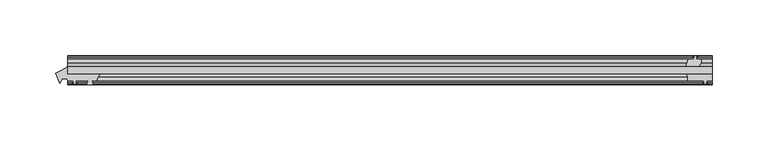
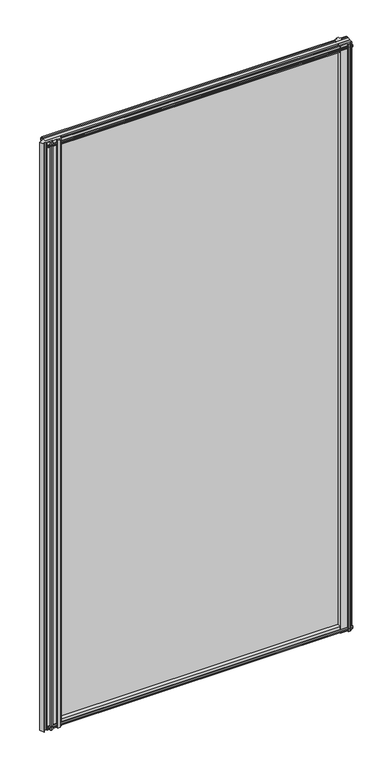
"""IFC4 building model written with IfcOpenShell, lengths in millimetres: plate geometry."""

from ifc_helpers import new_model, si_unit, point, frame, frame_2d, origin, place, context, project, spatial, polyline, circle_curve, trimmed, segment, composite_curve, outline, extrude, source, transform, mapped, element, save


def plate_3df63d87(model_context):
    return source(origin(), model_context, "Body", "SweptSolid", [
        extrude(outline(polyline([(-267.890625, -19.5460937), (311.15, -19.5460937), (311.15, -25.8960937), (-267.890625, -25.8960937), (-267.890625, -19.5460937)])), frame((0.0, 0.0, -12.7), z_axis=(0.0, 0.0, 1.0), x_axis=(1.0, 0.0, 0.0)), (0.0, 0.0, 1.0), 1181.1),
        extrude(outline(composite_curve([segment(trimmed(circle_curve(frame_2d((-230.433521, -34.0324587)), 11.1804786), [point((-238.1018106, -25.8960938))], [point((-241.4703684, -32.2460938))], True, "CARTESIAN"), True, "CONTINUOUS"), segment(polyline([(-241.4703684, -32.2460938), (-245.7121684, -32.2460938)]), True, "CONTINUOUS"), segment(trimmed(circle_curve(frame_2d((-245.7121684, -32.7032938)), 0.4572), [point((-245.7121684, -32.2460938))], [point((-246.0509863, -33.0102698))], True, "CARTESIAN"), True, "CONTINUOUS"), segment(trimmed(circle_curve(frame_2d((-247.8203684, -34.613367)), 2.3876), [point((-246.0509863, -33.0102698))], [point((-245.7497254, -35.8020938))], False, "CARTESIAN"), True, "CONTINUOUS"), segment(polyline([(-245.7497254, -35.8020938), (-249.8910114, -35.8020938)]), True, "CONTINUOUS"), segment(trimmed(circle_curve(frame_2d((-247.8203684, -34.613367)), 2.3876), [point((-249.8910114, -35.8020938))], [point((-249.5897506, -33.0102698))], False, "CARTESIAN"), True, "CONTINUOUS"), segment(trimmed(circle_curve(frame_2d((-249.9285684, -32.7032938)), 0.4572), [point((-249.5897506, -33.0102698))], [point((-249.9285684, -32.2460938))], True, "CARTESIAN"), True, "CONTINUOUS"), segment(polyline([(-249.9285684, -32.2460938), (-260.3171684, -32.2460938), (-260.6346684, -34.3506957), (-259.4160626, -34.0241712), (-259.2122684, -34.7847412), (-261.5871684, -35.4210937), (-263.9620684, -34.7847412), (-263.7582743, -34.0241712), (-262.5396684, -34.3506957), (-262.8571684, -32.2460938), (-267.9371684, -32.2460938), (-268.7546701, -30.3775881), (-272.4715456, -30.3775881), (-274.8816069, -34.5272548), (-278.5694923, -25.6278457)]), True, "CONTINUOUS"), segment(trimmed(circle_curve(frame_2d((-297.1204414, 19.1383188)), 48.4576846), [point((-278.5694923, -25.6278457))], [point((-267.9371684, -19.5460938))], True, "CARTESIAN"), True, "CONTINUOUS"), segment(polyline([(-267.9371684, -19.5460938), (-267.9371684, -25.8960938), (-238.1018106, -25.8960938)]), True, "CONTINUOUS")], self_intersect=False)), frame((0.0, 0.0, -12.7), z_axis=(0.0, 0.0, 1.0), x_axis=(1.0, 0.0, 0.0)), (0.0, 0.0, 1.0), 1181.1),
        extrude(outline(composite_curve([segment(polyline([(311.1542854, -32.2460938), (306.0742854, -32.2460938), (305.7567854, -34.3506957), (306.9753913, -34.0241712), (307.1791854, -34.7847412), (304.8042854, -35.4210938), (302.4293854, -34.7847412), (302.6331795, -34.0241712), (303.8517854, -34.3506957), (303.5342854, -32.2460938), (288.925, -32.2460938)]), True, "CONTINUOUS"), segment(trimmed(circle_curve(frame_2d((280.043449, -30.5054843)), 9.0505066), [point((288.925, -32.2460938))], [point((287.8322351, -25.8960937))], True, "CARTESIAN"), True, "CONTINUOUS"), segment(polyline([(287.8322351, -25.8960937), (311.1542854, -25.8960937), (311.1542854, -32.2460938)]), True, "CONTINUOUS")], self_intersect=False)), frame((0.0, 0.0, -12.7), z_axis=(0.0, 0.0, 1.0), x_axis=(1.0, 0.0, 0.0)), (0.0, 0.0, 1.0), 1181.1),
        extrude(outline(polyline([(293.6181709, -10.4746158), (295.7957, -9.7670938), (297.973229, -10.4746158), (297.973229, -11.27583), (296.5577, -10.8158968), (296.9387, -13.1960938), (301.3837, -13.1960938), (301.3837, -16.1424938), (299.1710038, -19.5460937), (287.3404229, -19.5460937), (289.4457, -13.1960938), (294.6527, -13.1960938), (295.0337, -10.8158968), (293.6181709, -11.27583), (293.6181709, -10.4746158)])), frame((0.0, 0.0, -12.7), z_axis=(0.0, 0.0, 1.0), x_axis=(1.0, 0.0, 0.0)), (0.0, 0.0, 1.0), 1181.1),
        extrude(outline(polyline([(-13.1960937, 1168.1587), (-13.1960937, 1163.7137), (-10.8158968, 1163.3327), (-11.27583, 1164.7482291), (-10.4746158, 1164.7482291), (-9.7670937, 1162.5707), (-10.4746158, 1160.393171), (-11.27583, 1160.393171), (-10.8158968, 1161.8087), (-13.1960937, 1161.4277), (-13.1960937, 1156.2207), (-19.5460937, 1154.115423), (-19.5460937, 1165.9460038), (-16.1424937, 1168.1587), (-13.1960937, 1168.1587)])), frame((-267.890625, 0.0, 0.0), z_axis=(1.0, 0.0, 0.0), x_axis=(0.0, 1.0, 0.0)), (0.0, 0.0, 1.0), 579.040625),
        extrude(outline(polyline([(-29.2996937, 1167.638), (-25.8960937, 1165.4253038), (-25.8960937, 1153.594723), (-32.2460937, 1155.7), (-32.2460937, 1160.907), (-34.6262907, 1161.288), (-34.1663575, 1159.872471), (-34.9675717, 1159.872471), (-35.6750937, 1162.05), (-34.9675717, 1164.2275291), (-34.1663575, 1164.2275291), (-34.6262907, 1162.812), (-32.2460937, 1163.193), (-32.2460937, 1167.638), (-29.2996937, 1167.638)])), frame((-267.890625, 0.0, 0.0), z_axis=(1.0, 0.0, 0.0), x_axis=(0.0, 1.0, 0.0)), (0.0, 0.0, 1.0), 579.040625),
        extrude(outline(polyline([(-25.8960937, 2.1052771), (-25.8960937, -9.7253038), (-29.2996937, -11.938), (-32.2460937, -11.938), (-32.2460937, -7.493), (-34.6262907, -7.112), (-34.1663575, -8.5275291), (-34.9675717, -8.5275291), (-35.6750937, -6.35), (-34.9675717, -4.1724709), (-34.1663575, -4.1724709), (-34.6262907, -5.588), (-32.2460937, -5.207), (-32.2460937, 0.0), (-25.8960937, 2.1052771)])), frame((-267.890625, 0.0, 0.0), z_axis=(1.0, 0.0, 0.0), x_axis=(0.0, 1.0, 0.0)), (0.0, 0.0, 1.0), 579.040625),
        extrude(outline(polyline([(-19.5460937, 1.5845771), (-13.1960937, -0.5207), (-13.1960937, -5.7277), (-10.8158968, -6.1087), (-11.27583, -4.6931709), (-10.4746158, -4.6931709), (-9.7670937, -6.8707), (-10.4746158, -9.048229), (-11.27583, -9.048229), (-10.8158968, -7.6327), (-13.1960937, -8.0137), (-13.1960937, -12.4587), (-16.1424937, -12.4587), (-19.5460937, -10.2460038), (-19.5460937, 1.5845771)])), frame((-267.890625, 0.0, 0.0), z_axis=(1.0, 0.0, 0.0), x_axis=(0.0, 1.0, 0.0)), (0.0, 0.0, 1.0), 579.040625),
    ])


if __name__ == "__main__":
    model = new_model("IFC4")
    model_context = context("Model", 3, world=origin())
    ifc_project = project(units=[si_unit("LENGTHUNIT", "METRE", prefix="MILLI")], contexts=[model_context])
    site = spatial("IfcSite", under=ifc_project)
    building = spatial("IfcBuilding", under=site)
    placement = place(None, origin())
    plate_shape = plate_3df63d87(model_context)
    element("IfcPlate", 1, at=placement, inside=building, context=model_context, shape_type="MappedRepresentation", body=[
        mapped(plate_shape, transform((0.0, 0.0, 0.0), x_axis=(1.0, 0.0, 0.0), y_axis=(0.0, 1.0, 0.0), z_axis=(0.0, 0.0, 1.0))),
    ])
    save(model, "model.ifc")
